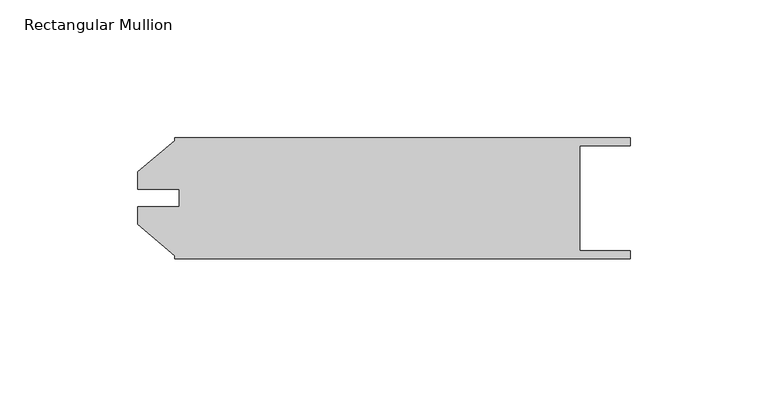
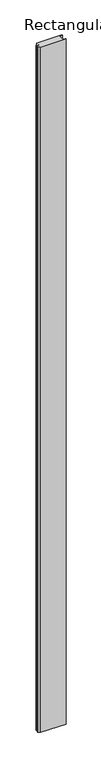
"""IFC4 building model written with IfcOpenShell, lengths in millimetres: member geometry, Rectangular Mullion."""

from ifc_helpers import new_model, si_unit, frame, origin, place, context, project, spatial, polyline, outline, extrude, source, transform, mapped, element, save


def rectangular_mullion_75cffc0a(model_context):
    return source(origin(), model_context, "Body", "SweptSolid", [
        extrude(outline(polyline([(-196.0258136, -60.317666), (-182.5638136, -49.0217067), (-182.5638136, -47.9552), (-17.4625436, -47.9552), (-17.4625436, -50.8), (-35.6997436, -50.8), (-35.6997436, -88.9), (-17.4625436, -88.9), (-17.4625436, -91.7448), (-182.5638136, -91.7448), (-182.5638136, -90.6782933), (-196.0258136, -79.382334), (-196.0258136, -73.0120621), (-180.9890136, -73.0120621), (-180.9890136, -66.6879379), (-196.0258136, -66.6879379), (-196.0258136, -60.317666)])), frame((0.0, 0.0, -4724.4), z_axis=(0.0, 0.0, 1.0), x_axis=(1.0, 0.0, 0.0)), (0.0, 0.0, 1.0), 4724.4),
    ])


if __name__ == "__main__":
    model = new_model("IFC4")
    model_context = context("Model", 3, world=origin())
    ifc_project = project(units=[si_unit("LENGTHUNIT", "METRE", prefix="MILLI")], contexts=[model_context])
    site = spatial("IfcSite", under=ifc_project)
    building = spatial("IfcBuilding", under=site)
    placement = place(None, origin())
    rectangular_mullion_shape = rectangular_mullion_75cffc0a(model_context)
    element("IfcMember", 1, ObjectType="Rectangular Mullion", at=placement, inside=building, context=model_context, shape_type="MappedRepresentation", body=[
        mapped(rectangular_mullion_shape, transform((0.0, 0.0, 0.0), x_axis=(1.0, 0.0, 0.0), y_axis=(0.0, 1.0, 0.0), z_axis=(0.0, 0.0, 1.0))),
    ])
    save(model, "model.ifc")
